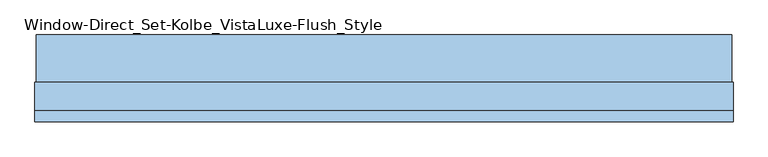
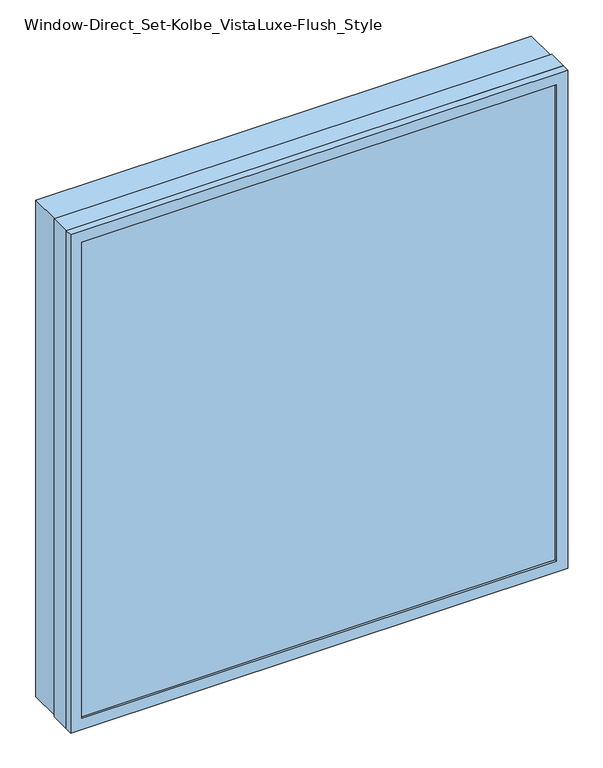
"""IFC4 building model written with IfcOpenShell, lengths in millimetres: window geometry, Window-Direct_Set-Kolbe_VistaLuxe-Flush_Style."""

from ifc_helpers import new_model, si_unit, frame, origin, place, context, project, spatial, polyline, outline, extrude, faceted_brep, source, transform, mapped, element, save


def window_direct_set_kolbe_vistaluxe_flush_style_5836cc94(model_context):
    return source(origin(), model_context, "Body", "SolidModel", [
        extrude(outline(polyline([(2740.025, 854.2496242), (2740.025, -866.6003758), (917.575, -866.6003758), (917.575, 854.2496242), (2740.025, 854.2496242)]), holes=[polyline([(936.625, 835.1996242), (936.625, -847.5503758), (2720.975, -847.5503758), (2720.975, 835.1996242), (936.625, 835.1996242)])]), frame((0.0, -22.9997, 0.0), z_axis=(0.0, 1.0, 0.0), x_axis=(0.0, 0.0, 1.0)), (0.0, 0.0, 1.0), 116.6622),
        extrude(outline(polyline([(936.625, 835.1996242), (2720.975, 835.1996242), (2720.975, -847.5503758), (936.625, -847.5503758), (936.625, 835.1996242)]), holes=[polyline([(954.0875, -830.0878758), (2703.5125, -830.0878758), (2703.5125, 817.7371242), (954.0875, 817.7371242), (954.0875, -830.0878758)])]), frame((0.0, -89.63025, 0.0), z_axis=(0.0, 1.0, 0.0), x_axis=(0.0, 0.0, 1.0)), (0.0, 0.0, 1.0), 69.8246),
        faceted_brep([(857.4246242, -120.5865, 2743.2), (857.4246242, -93.6625, 2743.2), (-869.7753758, -93.6625, 2743.2), (-869.7753758, -120.5865, 2743.2), (817.7373659, -111.85525, 2703.5127418), (817.7373659, -120.5865, 2703.5127418), (-830.0881176, -120.5865, 2703.5127418), (-830.0881176, -111.85525, 2703.5127418), (835.1996242, -93.6625, 2720.975), (835.1996242, -111.85525, 2720.975), (-847.5503758, -111.85525, 2720.975), (-847.5503758, -93.6625, 2720.975), (-869.7753758, -93.6625, 914.4), (-869.7753758, -120.5865, 914.4), (-830.0881176, -120.5865, 954.0872582), (-830.0881176, -111.85525, 954.0872582), (-847.5503758, -111.85525, 936.625), (-847.5503758, -93.6625, 936.625), (857.4246242, -93.6625, 914.4), (857.4246242, -120.5865, 914.4), (817.7373659, -120.5865, 954.0872582), (817.7373659, -111.85525, 954.0872582), (835.1996242, -111.85525, 936.625), (835.1996242, -93.6625, 936.625)], [[[0, 1, 2, 3]], [[4, 5, 6, 7]], [[8, 9, 10, 11]], [[3, 2, 12, 13]], [[7, 6, 14, 15]], [[11, 10, 16, 17]], [[13, 12, 18, 19]], [[15, 14, 20, 21]], [[17, 16, 22, 23]], [[19, 18, 1, 0]], [[3, 13, 19, 0], [5, 20, 14, 6]], [[21, 20, 5, 4]], [[9, 22, 16, 10], [7, 15, 21, 4]], [[23, 22, 9, 8]], [[1, 18, 12, 2], [11, 17, 23, 8]]]),
        extrude(outline(polyline([(914.4, 857.4246242), (2743.2, 857.4246242), (2743.2, -869.7753758), (914.4, -869.7753758), (914.4, 857.4246242)]), holes=[polyline([(936.625, -847.5503758), (2720.975, -847.5503758), (2720.975, 835.1996242), (936.625, 835.1996242), (936.625, -847.5503758)])]), frame((0.0, -93.6625, 0.0), z_axis=(0.0, 1.0, 0.0), x_axis=(0.0, 0.0, 1.0)), (0.0, 0.0, 1.0), 70.6628),
        extrude(outline(polyline([(832.8183742, -92.80525), (-845.1691258, -92.80525), (-845.1691258, -89.63025), (832.8183742, -89.63025), (832.8183742, -92.80525)])), frame((0.0, 0.0, 946.15), z_axis=(0.0, 0.0, 1.0), x_axis=(1.0, 0.0, 0.0)), (0.0, 0.0, 1.0), 1765.3),
        extrude(outline(polyline([(832.8183742, -108.68025), (832.8183742, -111.85525), (-845.1691258, -111.85525), (-845.1691258, -108.68025), (832.8183742, -108.68025)])), frame((0.0, 0.0, 946.15), z_axis=(0.0, 0.0, 1.0), x_axis=(1.0, 0.0, 0.0)), (0.0, 0.0, 1.0), 1765.3),
    ])


if __name__ == "__main__":
    model = new_model("IFC4")
    model_context = context("Model", 3, world=origin())
    ifc_project = project(units=[si_unit("LENGTHUNIT", "METRE", prefix="MILLI")], contexts=[model_context])
    site = spatial("IfcSite", under=ifc_project)
    building = spatial("IfcBuilding", under=site)
    placement = place(None, origin())
    window_direct_set_kolbe_vistaluxe_flush_style_shape = window_direct_set_kolbe_vistaluxe_flush_style_5836cc94(model_context)
    element("IfcWindow", 1, ObjectType="Window-Direct_Set-Kolbe_VistaLuxe-Flush_Style", at=placement, inside=building, context=model_context, shape_type="MappedRepresentation", body=[
        mapped(window_direct_set_kolbe_vistaluxe_flush_style_shape, transform((0.0, 0.0, 0.0), x_axis=(1.0, 0.0, 0.0), y_axis=(0.0, 1.0, 0.0), z_axis=(0.0, 0.0, 1.0))),
    ])
    save(model, "model.ifc")
